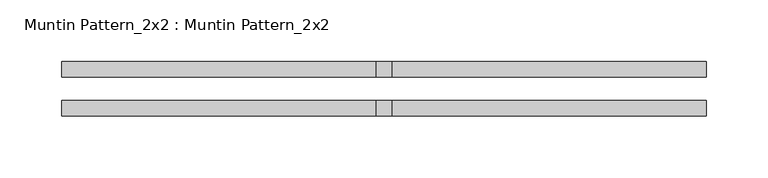
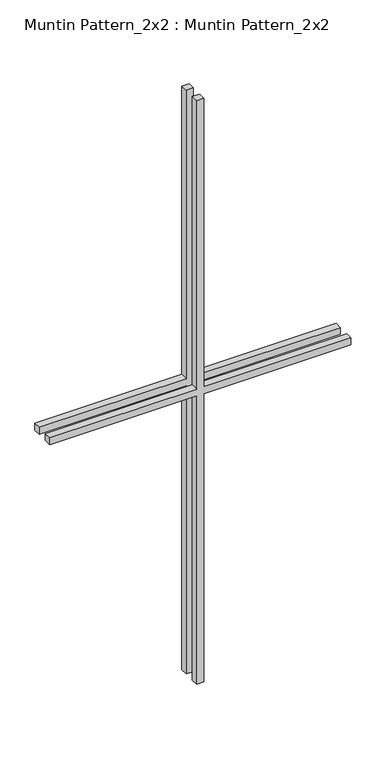
"""IFC4 building model written with IfcOpenShell, lengths in millimetres: proxy geometry, Muntin Pattern_2x2 : Muntin Pattern_2x2."""

from ifc_helpers import new_model, si_unit, frame, origin, place, context, project, spatial, polyline, outline, extrude, source, transform, mapped, element, save


def muntin_pattern_2x2_muntin_pattern_2x2_c2d27229(model_context):
    return source(origin(), model_context, "Body", "SweptSolid", [
        extrude(outline(polyline([(542.925, -6.35), (542.925, -261.9375), (530.225, -261.9375), (530.225, -6.35), (0.0, -6.35), (0.0, 6.35), (530.225, 6.35), (530.225, 261.9375), (542.925, 261.9375), (542.925, 6.35), (1073.15, 6.35), (1073.15, -6.35), (542.925, -6.35)])), frame((0.0, -22.225, 0.0), z_axis=(0.0, 1.0, 0.0), x_axis=(0.0, 0.0, 1.0)), (0.0, 0.0, 1.0), 12.7),
        extrude(outline(polyline([(542.925, -6.35), (542.925, -261.9375), (530.225, -261.9375), (530.225, -6.35), (0.0, -6.35), (0.0, 6.35), (530.225, 6.35), (530.225, 261.9375), (542.925, 261.9375), (542.925, 6.35), (1073.15, 6.35), (1073.15, -6.35), (542.925, -6.35)])), frame((0.0, 9.525, 0.0), z_axis=(0.0, 1.0, 0.0), x_axis=(0.0, 0.0, 1.0)), (0.0, 0.0, 1.0), 12.7),
    ])


if __name__ == "__main__":
    model = new_model("IFC4")
    model_context = context("Model", 3, world=origin())
    ifc_project = project(units=[si_unit("LENGTHUNIT", "METRE", prefix="MILLI")], contexts=[model_context])
    site = spatial("IfcSite", under=ifc_project)
    building = spatial("IfcBuilding", under=site)
    placement = place(None, origin())
    muntin_pattern_2x2_muntin_pattern_2x2_shape = muntin_pattern_2x2_muntin_pattern_2x2_c2d27229(model_context)
    element("IfcBuildingElementProxy", 1, Name="Muntin Pattern_2x2 : Muntin Pattern_2x2", ObjectType="Muntin Pattern_2x2 : Muntin Pattern_2x2", at=placement, inside=building, context=model_context, shape_type="MappedRepresentation", body=[
        mapped(muntin_pattern_2x2_muntin_pattern_2x2_shape, transform((0.0, 0.0, 0.0), x_axis=(1.0, 0.0, 0.0), y_axis=(0.0, 1.0, 0.0), z_axis=(0.0, 0.0, 1.0))),
    ])
    save(model, "model.ifc")
